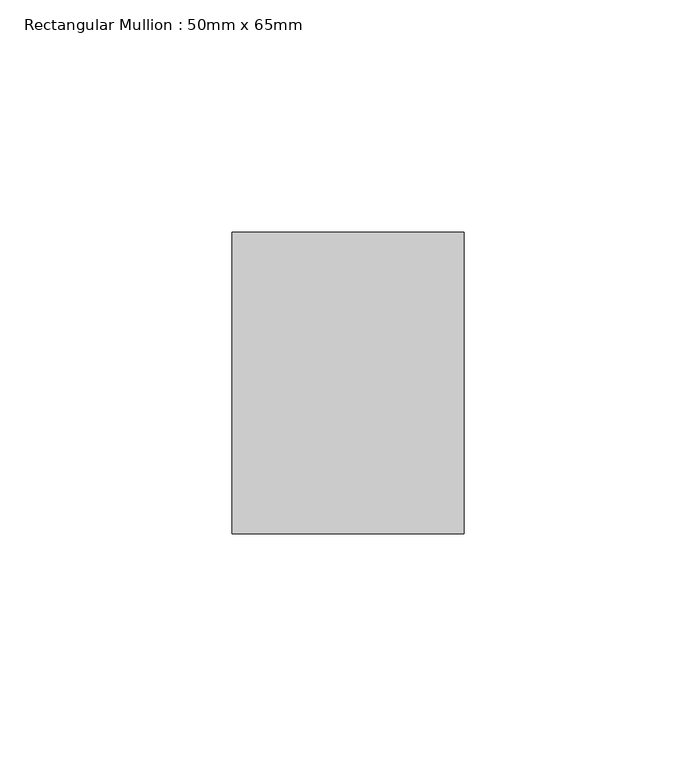
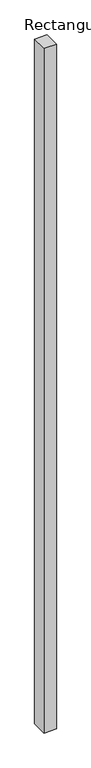
"""IFC4 building model written with IfcOpenShell, lengths in millimetres: member geometry, Rectangular Mullion : 50mm x 65mm."""

from ifc_helpers import new_model, si_unit, frame, origin, place, context, project, spatial, polyline, outline, extrude, source, transform, mapped, element, save


def rectangular_mullion_50mm_x_65mm_b8fd5de1(model_context):
    return source(origin(), model_context, "Body", "SweptSolid", [
        extrude(outline(polyline([(25.0, 32.5), (25.0, -32.5), (-25.0, -32.5), (-25.0, 32.5), (25.0, 32.5)])), frame((0.0, 0.0, -2924.9799339), z_axis=(0.0, 0.0, 1.0), x_axis=(1.0, 0.0, 0.0)), (0.0, 0.0, 1.0), 2924.9799339),
    ])


if __name__ == "__main__":
    model = new_model("IFC4")
    model_context = context("Model", 3, world=origin())
    ifc_project = project(units=[si_unit("LENGTHUNIT", "METRE", prefix="MILLI")], contexts=[model_context])
    site = spatial("IfcSite", under=ifc_project)
    building = spatial("IfcBuilding", under=site)
    placement = place(None, origin())
    rectangular_mullion_50mm_x_65mm_shape = rectangular_mullion_50mm_x_65mm_b8fd5de1(model_context)
    element("IfcMember", 1, ObjectType="Rectangular Mullion : 50mm x 65mm", at=placement, inside=building, context=model_context, shape_type="MappedRepresentation", body=[
        mapped(rectangular_mullion_50mm_x_65mm_shape, transform((0.0, 0.0, 0.0), x_axis=(1.0, 0.0, 0.0), y_axis=(0.0, 1.0, 0.0), z_axis=(0.0, 0.0, 1.0))),
    ])
    save(model, "model.ifc")
